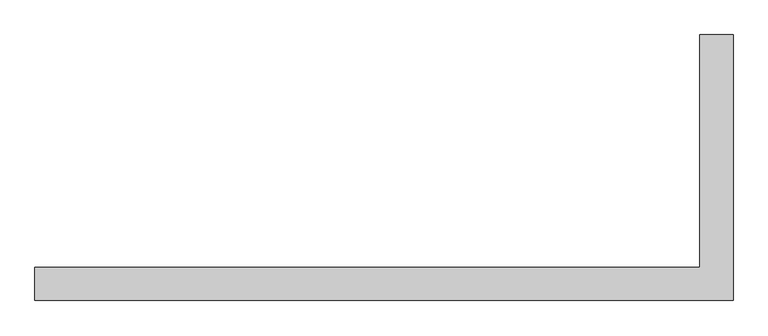
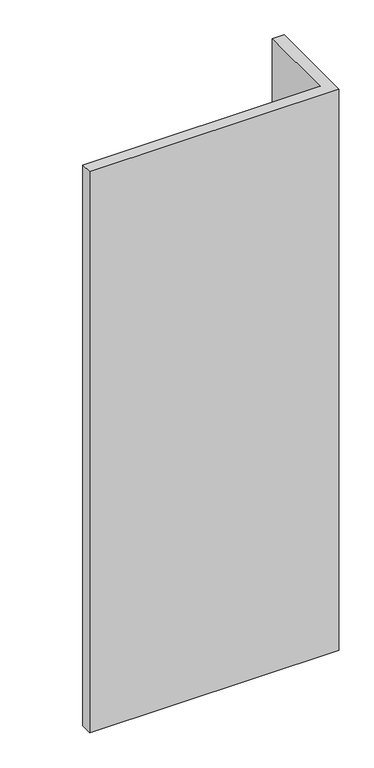
"""IFC4 building model written with IfcOpenShell, lengths in millimetres: proxy geometry."""

from ifc_helpers import new_model, si_unit, origin, origin_with_axes, place, context, project, spatial, polyline, outline, extrude, source, transform, mapped, element, save


def generic_models_4e21f2ea(model_context):
    return source(origin(), model_context, "Body", "SweptSolid", [
        extrude(outline(polyline([(525.000001, -199.9999958), (-525.0000154, -200.0000042), (-524.9999661, -149.9990095), (475.0000082, -149.9999951), (475.0000071, 200.0000049), (525.0000154, 200.0000042), (525.000001, -199.9999958)])), origin_with_axes(), (0.0, 0.0, 1.0), 2500.0),
    ])


if __name__ == "__main__":
    model = new_model("IFC4")
    model_context = context("Model", 3, world=origin())
    ifc_project = project(units=[si_unit("LENGTHUNIT", "METRE", prefix="MILLI")], contexts=[model_context])
    site = spatial("IfcSite", under=ifc_project)
    building = spatial("IfcBuilding", under=site)
    placement = place(None, origin())
    generic_models_shape = generic_models_4e21f2ea(model_context)
    element("IfcBuildingElementProxy", 1, Name="Generic Models", at=placement, inside=building, context=model_context, shape_type="MappedRepresentation", body=[
        mapped(generic_models_shape, transform((0.0, 0.0, 0.0), x_axis=(1.0, 0.0, 0.0), y_axis=(0.0, 1.0, 0.0), z_axis=(0.0, 0.0, 1.0))),
    ])
    save(model, "model.ifc")
